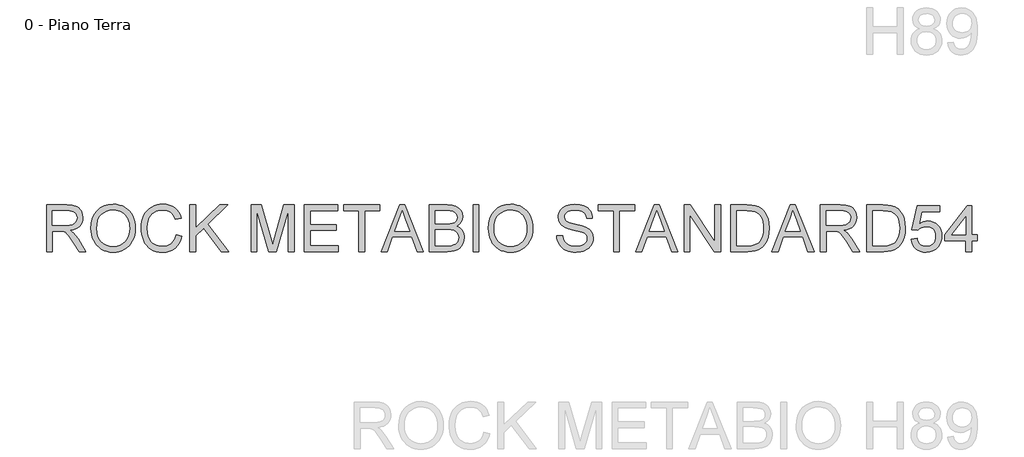
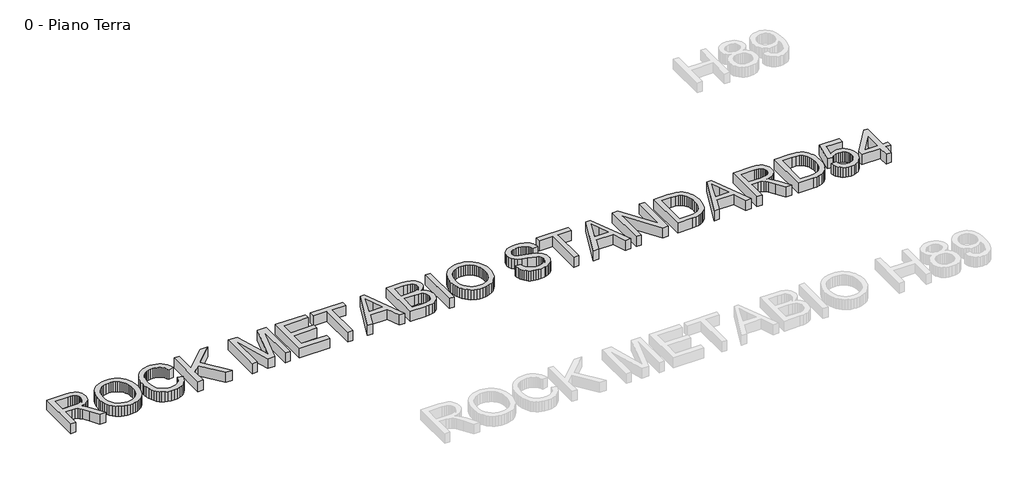
# One storey, part 13 of 17: 1 proxy.
"""IFC4 building model written with IfcOpenShell, lengths in millimetres."""

from ifc_helpers import new_model, si_unit, origin, origin_with_axes, place, context, project, spatial, polyline, outline, extrude, element, save

model = new_model("IFC4")

# Units and contexts
model_context = context("Model", 3, world=origin())
ifc_project = project(units=[si_unit("LENGTHUNIT", "METRE", prefix="MILLI")], contexts=[model_context])

# Site, building, storey
site = spatial("IfcSite", under=ifc_project)
building = spatial("IfcBuilding", under=site)
storey = spatial("IfcBuildingStorey", under=building, Name="0 - Piano Terra", Elevation=0.0)

# Proxy
placement = place(None, origin())
element("IfcBuildingElementProxy", 1, Name="Testo modello 1", ObjectType="Testo modello 1", at=placement, inside=storey, context=model_context, shape_type="SweptSolid", body=[
    extrude(outline(polyline([(-26198.167088, 3564.0517382), (-26198.167088, 4154.820969), (-25943.5997803, 4154.820969), (-25875.1803092, 4150.836594), (-25825.4026649, 4138.883469), (-25806.1929294, 4129.3822671), (-25789.0204534, 4116.8161613), (-25773.8852371, 4101.1851517), (-25760.7872803, 4082.4892382), (-25750.2178693, 4061.7335291), (-25742.6682899, 4039.9231325), (-25736.6286265, 3993.1382767), (-25739.1301289, 3962.7957286), (-25746.6346361, 3934.9411613), (-25759.1421481, 3909.5745748), (-25776.6526649, 3886.695969), (-25799.3915472, 3867.0355123), (-25827.5841553, 3851.3233729), (-25861.2304895, 3839.5595507), (-25900.3305496, 3831.7440459), (-25875.9916073, 3815.8426036), (-25858.3593957, 3800.1575075), (-25798.5036265, 3724.1478921), (-25699.9940111, 3564.0517382), (-25785.8113188, 3564.0517382), (-25862.6863188, 3686.5036613), (-25918.2151649, 3767.5613536), (-25938.8581938, 3791.1971709), (-25957.229588, 3805.8546229), (-25992.3497803, 3819.9171229), (-26035.1863188, 3822.5132767), (-26124.3209342, 3822.5132767), (-26124.3209342, 3564.0517382), (-26198.167088, 3564.0517382)]), holes=[polyline([(-26124.3209342, 3896.3594305), (-25959.0324726, 3896.3594305), (-25911.5625207, 3898.9736132), (-25874.729588, 3906.8161613), (-25847.0012226, 3920.4099113), (-25826.8449726, 3940.2776998), (-25814.5673284, 3964.3101517), (-25810.4747803, 3990.3978921), (-25812.4264029, 4009.2831084), (-25818.2812707, 4026.4195267), (-25828.0393837, 4041.8071469), (-25841.7007419, 4055.445969), (-25859.58085, 4066.6148392), (-25881.995213, 4074.5926036), (-25908.9438308, 4079.3792623), (-25940.4267034, 4080.9748152), (-26124.3209342, 4080.9748152), (-26124.3209342, 3896.3594305)])]), origin_with_axes(), (0.0, 0.0, 1.0), 150.0),
    extrude(outline(polyline([(-25635.0901649, 3851.6478921), (-25630.1682899, 3920.9417623), (-25615.4026649, 3982.2849113), (-25590.7932899, 4035.6773392), (-25556.3401649, 4081.1190459), (-25514.1075928, 4117.4020988), (-25466.1598765, 4143.3185652), (-25412.4970159, 4158.868445), (-25353.1190111, 4164.0517382), (-25313.3744198, 4161.617844), (-25275.6310303, 4154.3161613), (-25239.8888428, 4142.1466902), (-25206.1478573, 4125.1094305), (-25175.354588, 4103.7182046), (-25148.4555496, 4078.4868344), (-25125.4507419, 4049.41532), (-25106.3401649, 4016.5036613), (-25091.3221361, 3980.5000555), (-25080.5949726, 3942.1526998), (-25074.1586746, 3901.461594), (-25072.0132419, 3858.4267382), (-25074.2713548, 3814.8239738), (-25081.0456938, 3773.5829882), (-25092.3362587, 3734.7037815), (-25108.1430496, 3698.1863536), (-25128.0919678, 3664.9952479), (-25151.8089149, 3636.0950075), (-25179.2938909, 3611.4856325), (-25210.5468957, 3591.1671229), (-25244.3374606, 3575.2656805), (-25279.4351169, 3563.9075075), (-25315.8398645, 3557.0926036), (-25353.5517034, 3554.820969), (-25393.9904053, 3557.3314858), (-25432.229588, 3564.8630363), (-25468.2692515, 3577.4156204), (-25502.1093957, 3594.9892382), (-25532.8666073, 3616.9033007), (-25559.6574726, 3642.477219), (-25582.4819919, 3671.710993), (-25601.3401649, 3704.6046229), (-25616.1057899, 3739.8374954), (-25626.6526649, 3776.0889979), (-25632.9807899, 3813.3591301), (-25635.0901649, 3851.6478921)]), holes=[polyline([(-25561.2440111, 3850.9267382), (-25557.5526048, 3801.9694065), (-25546.4783861, 3758.5108729), (-25528.0213548, 3720.5511373), (-25502.1815111, 3688.0901998), (-25470.7707539, 3662.0926036), (-25435.6009823, 3643.5228921), (-25396.6721962, 3632.3810652), (-25353.9843957, 3628.6671229), (-25310.566427, 3632.4171229), (-25271.1779053, 3643.6671229), (-25235.8188308, 3662.4171229), (-25204.4892034, 3688.6671229), (-25178.8386625, 3721.8131565), (-25160.5168476, 3761.2512575), (-25149.5237587, 3806.9814257), (-25145.8593957, 3859.0036613), (-25147.4279053, 3892.7987334), (-25152.1334342, 3924.3762575), (-25159.9759823, 3953.7362334), (-25170.9555496, 3980.8786613), (-25184.9504414, 4005.4474714), (-25201.838963, 4027.086594), (-25221.6211145, 4045.7960291), (-25244.2968957, 4061.5757767), (-25269.1631818, 4074.1013176), (-25295.5168476, 4083.0481325), (-25323.3578933, 4088.4162214), (-25352.6863188, 4090.2055844), (-25393.8912467, 4086.7575676), (-25432.1214149, 4076.4135171), (-25467.3768236, 4059.1734329), (-25499.6574726, 4035.0373152), (-25526.6015832, 4002.8423031), (-25545.8473765, 3961.4255363), (-25557.3948524, 3910.7870147), (-25561.2440111, 3850.9267382)])]), origin_with_axes(), (0.0, 0.0, 1.0), 150.0),
    extrude(outline(polyline([(-24555.0901649, 3774.0517382), (-24481.2440111, 3755.0132767), (-24495.8563909, 3709.0892983), (-24515.3185303, 3668.961594), (-24539.6304294, 3634.6301637), (-24568.792088, 3606.0950075), (-24602.1454534, 3583.6626156), (-24639.0324726, 3567.6394786), (-24679.4531457, 3558.0255964), (-24723.4074726, 3554.820969), (-24768.4390231, 3557.2458488), (-24809.0625207, 3564.5204882), (-24845.2779654, 3576.6448873), (-24877.0853573, 3593.6190459), (-24904.9218957, 3615.1905604), (-24929.2247803, 3641.1070267), (-24949.9940111, 3671.368445), (-24967.229588, 3705.9748152), (-24980.7647443, 3743.429743), (-24990.432713, 3782.2368344), (-24996.2334943, 3822.3960892), (-24998.167088, 3863.9075075), (-24995.9810904, 3908.4477719), (-24989.4230976, 3950.0493344), (-24978.4931097, 3988.712195), (-24963.1911265, 4024.4363536), (-24943.8596962, 4056.6313656), (-24920.8413669, 4084.7067863), (-24894.1361385, 4108.6626156), (-24863.7440111, 4128.4988536), (-24830.6971361, 4144.0532406), (-24796.0276649, 4155.1635171), (-24759.7355976, 4161.8296829), (-24721.8209342, 4164.0517382), (-24679.5838548, 4161.1761373), (-24640.8533861, 4152.5493344), (-24605.6295279, 4138.1713296), (-24573.9122803, 4118.0421229), (-24546.2244798, 4092.6935652), (-24523.088963, 4062.6575075), (-24504.5057298, 4027.9339498), (-24490.4747803, 3988.5228921), (-24564.3209342, 3970.9267382), (-24575.9495399, 3999.9667022), (-24589.9218957, 4024.7789017), (-24606.2380015, 4045.3633368), (-24624.8978573, 4061.7200075), (-24646.0096361, 4074.1824474), (-24669.6815111, 4083.0841902), (-24695.9134823, 4088.4252358), (-24724.7055496, 4090.2055844), (-24757.8335544, 4088.2314257), (-24788.1310303, 4082.3089498), (-24815.5979774, 4072.4381565), (-24840.2343957, 4058.6190459), (-24861.7292875, 4041.4736132), (-24879.7716553, 4021.6238536), (-24894.3614991, 3999.0697671), (-24905.4988188, 3973.8113536), (-24919.6154053, 3919.7608729), (-24924.3209342, 3864.0517382), (-24918.7500207, 3795.8305844), (-24911.7863789, 3765.1815459), (-24902.0372803, 3736.8401998), (-24889.3449726, 3711.3699474), (-24873.5517034, 3689.3341902), (-24854.6574726, 3670.7329281), (-24832.6622803, 3655.5661613), (-24808.6343356, 3643.797832), (-24783.6418476, 3635.3918825), (-24757.6848164, 3630.3483128), (-24730.7632419, 3628.6671229), (-24698.6583741, 3630.9567863), (-24669.1226169, 3637.8257767), (-24642.1559702, 3649.274094), (-24617.7584342, 3665.3017382), (-24596.5069318, 3685.836594), (-24578.9783861, 3710.8065459), (-24565.1727972, 3740.211594), (-24555.0901649, 3774.0517382)])), origin_with_axes(), (0.0, 0.0, 1.0), 150.0),
    extrude(outline(polyline([(-24379.7055496, 3564.0517382), (-24379.7055496, 4154.820969), (-24305.8593957, 4154.820969), (-24305.8593957, 3865.6382767), (-24002.9747803, 4154.820969), (-23899.7055496, 4154.820969), (-24153.9843957, 3911.9363536), (-23890.4747803, 3564.0517382), (-23980.7632419, 3564.0517382), (-24206.3401649, 3862.0325075), (-24305.8593957, 3767.1286613), (-24305.8593957, 3564.0517382), (-24379.7055496, 3564.0517382)])), origin_with_axes(), (0.0, 0.0, 1.0), 150.0),
    extrude(outline(polyline([(-23604.3209342, 3564.0517382), (-23604.3209342, 4154.820969), (-23477.2536265, 4154.820969), (-23356.3882419, 3738.4267382), (-23332.0132419, 3651.4555844), (-23305.6190111, 3745.6382767), (-23186.7728573, 4154.820969), (-23059.7055496, 4154.820969), (-23059.7055496, 3564.0517382), (-23133.5517034, 3564.0517382), (-23133.5517034, 4080.9748152), (-23281.9651649, 3564.0517382), (-23382.0613188, 3564.0517382), (-23530.4747803, 4080.9748152), (-23530.4747803, 3564.0517382), (-23604.3209342, 3564.0517382)])), origin_with_axes(), (0.0, 0.0, 1.0), 150.0),
    extrude(outline(polyline([(-22930.4747803, 3564.0517382), (-22930.4747803, 4154.820969), (-22505.8593957, 4154.820969), (-22505.8593957, 4080.9748152), (-22856.6286265, 4080.9748152), (-22856.6286265, 3905.5901998), (-22524.3209342, 3905.5901998), (-22524.3209342, 3831.7440459), (-22856.6286265, 3831.7440459), (-22856.6286265, 3637.8978921), (-22496.6286265, 3637.8978921), (-22496.6286265, 3564.0517382), (-22930.4747803, 3564.0517382)])), origin_with_axes(), (0.0, 0.0, 1.0), 150.0),
    extrude(outline(polyline([(-22238.167088, 3564.0517382), (-22238.167088, 4080.9748152), (-22432.0132419, 4080.9748152), (-22432.0132419, 4154.820969), (-21970.4747803, 4154.820969), (-21970.4747803, 4080.9748152), (-22164.3209342, 4080.9748152), (-22164.3209342, 3564.0517382), (-22238.167088, 3564.0517382)])), origin_with_axes(), (0.0, 0.0, 1.0), 150.0),
    extrude(outline(polyline([(-21956.1959342, 3564.0517382), (-21720.3786265, 4154.820969), (-21657.4940111, 4154.820969), (-21421.6767034, 3564.0517382), (-21499.7055496, 3564.0517382), (-21567.3497803, 3748.6671229), (-21810.667088, 3748.6671229), (-21878.167088, 3564.0517382), (-21956.1959342, 3564.0517382)]), holes=[polyline([(-21783.5517034, 3822.5132767), (-21594.3209342, 3822.5132767), (-21647.542088, 3967.7536613), (-21688.9363188, 4080.9748152), (-21725.7151649, 3980.445969), (-21783.5517034, 3822.5132767)])]), origin_with_axes(), (0.0, 0.0, 1.0), 150.0),
    extrude(outline(polyline([(-21342.7824726, 3564.0517382), (-21342.7824726, 4154.820969), (-21117.3497803, 4154.820969), (-21055.3485784, 4150.4760171), (-21006.9411265, 4137.4411613), (-20969.8377611, 4115.3918825), (-20954.6664871, 4100.8651397), (-20941.7488188, 4084.0036613), (-20924.0625207, 4047.0805844), (-20918.167088, 4008.4267382), (-20923.1250207, 3972.8558248), (-20937.9988188, 3939.4123152), (-20962.8966553, 3910.1514979), (-20997.9267034, 3887.1286613), (-20975.6385423, 3877.6274594), (-20956.0817515, 3865.2776998), (-20939.2563308, 3850.0793825), (-20925.1622803, 3832.0325075), (-20914.0249606, 3811.6869546), (-20906.0697323, 3789.5926036), (-20901.2965952, 3765.7494546), (-20899.7055496, 3740.1575075), (-20904.0505015, 3698.961594), (-20917.0853573, 3660.758469), (-20936.5384823, 3628.2704882), (-20960.1382419, 3604.2200075), (-20989.0384823, 3586.8041421), (-21024.3930496, 3574.2200075), (-21067.3557899, 3566.5938055), (-21119.0805496, 3564.0517382), (-21342.7824726, 3564.0517382)]), holes=[polyline([(-21268.9363188, 3637.8978921), (-21117.4940111, 3637.8978921), (-21062.6863188, 3640.7825075), (-21037.2476169, 3647.1827479), (-21016.3161265, 3656.8642382), (-20999.2968957, 3670.7284209), (-20985.5949726, 3689.6767382), (-20976.5625207, 3712.8618344), (-20973.5517034, 3739.4363536), (-20977.0853573, 3770.3017382), (-20987.6863188, 3796.8401998), (-21006.2019438, 3817.5914017), (-21033.479588, 3831.0950075), (-21072.1154053, 3838.5048632), (-21124.7055496, 3840.9748152), (-21268.9363188, 3840.9748152), (-21268.9363188, 3637.8978921)]), polyline([(-21268.9363188, 3914.820969), (-21134.0805496, 3914.820969), (-21086.917088, 3916.4075075), (-21055.3305496, 3921.1671229), (-21027.7644438, 3932.1106325), (-21007.9507419, 3948.4988536), (-20995.9976169, 3970.0793825), (-20992.0132419, 3996.5998152), (-20995.7271842, 4022.3450075), (-21006.8690111, 4044.7728921), (-21024.9339149, 4062.2789017), (-21049.417088, 4073.258469), (-21086.9892034, 4079.0457286), (-21144.3209342, 4080.9748152), (-21268.9363188, 4080.9748152), (-21268.9363188, 3914.820969)])]), origin_with_axes(), (0.0, 0.0, 1.0), 150.0),
    extrude(outline(polyline([(-20788.9363188, 3564.0517382), (-20788.9363188, 4154.820969), (-20715.0901649, 4154.820969), (-20715.0901649, 3564.0517382), (-20788.9363188, 3564.0517382)])), origin_with_axes(), (0.0, 0.0, 1.0), 150.0),
    extrude(outline(polyline([(-20595.0901649, 3851.6478921), (-20590.1682899, 3920.9417623), (-20575.4026649, 3982.2849113), (-20550.7932899, 4035.6773392), (-20516.3401649, 4081.1190459), (-20474.1075928, 4117.4020988), (-20426.1598765, 4143.3185652), (-20372.4970159, 4158.868445), (-20313.1190111, 4164.0517382), (-20273.3744198, 4161.617844), (-20235.6310303, 4154.3161613), (-20199.8888428, 4142.1466902), (-20166.1478573, 4125.1094305), (-20135.354588, 4103.7182046), (-20108.4555496, 4078.4868344), (-20085.4507419, 4049.41532), (-20066.3401649, 4016.5036613), (-20051.3221361, 3980.5000555), (-20040.5949726, 3942.1526998), (-20034.1586746, 3901.461594), (-20032.0132419, 3858.4267382), (-20034.2713548, 3814.8239738), (-20041.0456938, 3773.5829882), (-20052.3362587, 3734.7037815), (-20068.1430496, 3698.1863536), (-20088.0919678, 3664.9952479), (-20111.8089149, 3636.0950075), (-20139.2938909, 3611.4856325), (-20170.5468957, 3591.1671229), (-20204.3374606, 3575.2656805), (-20239.4351169, 3563.9075075), (-20275.8398645, 3557.0926036), (-20313.5517034, 3554.820969), (-20353.9904053, 3557.3314858), (-20392.229588, 3564.8630363), (-20428.2692515, 3577.4156204), (-20462.1093957, 3594.9892382), (-20492.8666073, 3616.9033007), (-20519.6574726, 3642.477219), (-20542.4819919, 3671.710993), (-20561.3401649, 3704.6046229), (-20576.1057899, 3739.8374954), (-20586.6526649, 3776.0889979), (-20592.9807899, 3813.3591301), (-20595.0901649, 3851.6478921)]), holes=[polyline([(-20521.2440111, 3850.9267382), (-20517.5526048, 3801.9694065), (-20506.4783861, 3758.5108729), (-20488.0213548, 3720.5511373), (-20462.1815111, 3688.0901998), (-20430.7707539, 3662.0926036), (-20395.6009823, 3643.5228921), (-20356.6721962, 3632.3810652), (-20313.9843957, 3628.6671229), (-20270.566427, 3632.4171229), (-20231.1779053, 3643.6671229), (-20195.8188308, 3662.4171229), (-20164.4892034, 3688.6671229), (-20138.8386625, 3721.8131565), (-20120.5168476, 3761.2512575), (-20109.5237587, 3806.9814257), (-20105.8593957, 3859.0036613), (-20107.4279053, 3892.7987334), (-20112.1334342, 3924.3762575), (-20119.9759823, 3953.7362334), (-20130.9555496, 3980.8786613), (-20144.9504414, 4005.4474714), (-20161.838963, 4027.086594), (-20181.6211145, 4045.7960291), (-20204.2968957, 4061.5757767), (-20229.1631818, 4074.1013176), (-20255.5168476, 4083.0481325), (-20283.3578933, 4088.4162214), (-20312.6863188, 4090.2055844), (-20353.8912467, 4086.7575676), (-20392.1214149, 4076.4135171), (-20427.3768236, 4059.1734329), (-20459.6574726, 4035.0373152), (-20486.6015832, 4002.8423031), (-20505.8473765, 3961.4255363), (-20517.3948524, 3910.7870147), (-20521.2440111, 3850.9267382)])]), origin_with_axes(), (0.0, 0.0, 1.0), 150.0),
    extrude(outline(polyline([(-19727.3978573, 3767.1286613), (-19653.5517034, 3767.1286613), (-19645.0781457, 3726.149094), (-19629.7536265, 3693.2103921), (-19605.8473765, 3667.0685652), (-19571.6286265, 3646.4796229), (-19529.8017034, 3633.1202479), (-19483.0709342, 3628.6671229), (-19441.9291073, 3632.0385171), (-19405.9074726, 3642.1526998), (-19376.7187707, 3658.1623152), (-19356.0757419, 3679.2200075), (-19343.7980976, 3703.3966902), (-19339.7055496, 3728.7632767), (-19342.7704534, 3753.4808248), (-19351.9651649, 3774.8450075), (-19370.6430496, 3793.0721709), (-19402.1574726, 3808.3786613), (-19509.6815111, 3836.5757767), (-19580.2644438, 3855.2356325), (-19625.4267034, 3872.9940459), (-19662.1875207, 3897.8377959), (-19688.2392034, 3927.945969), (-19703.7620399, 3962.6695267), (-19708.9363188, 4001.3594305), (-19707.3362587, 4023.3501156), (-19702.5360784, 4044.6106325), (-19694.5357779, 4065.140981), (-19683.3353573, 4084.9411613), (-19669.0610183, 4103.2043825), (-19651.838963, 4119.1238536), (-19631.6691914, 4132.6995748), (-19608.5517034, 4143.9315459), (-19556.5925688, 4159.0216902), (-19499.0805496, 4164.0517382), (-19436.7728573, 4158.7873152), (-19382.2536265, 4142.9940459), (-19358.401463, 4131.2302238), (-19337.4699726, 4116.9964498), (-19319.4591553, 4100.2927238), (-19304.3690111, 4081.1190459), (-19292.3167274, 4060.0343104), (-19283.4194919, 4037.5974113), (-19277.6773044, 4013.8083488), (-19275.0901649, 3988.6671229), (-19348.9363188, 3988.6671229), (-19353.8762226, 4012.2308248), (-19362.4940111, 4032.7296229), (-19374.7896842, 4050.1635171), (-19390.7632419, 4064.5325075), (-19410.7121601, 4075.7644786), (-19434.9339149, 4083.7873152), (-19463.4285063, 4088.6010171), (-19496.1959342, 4090.2055844), (-19530.0090351, 4088.6190459), (-19558.9002611, 4083.8594305), (-19582.8696121, 4075.9267382), (-19601.917088, 4064.820969), (-19616.4303092, 4051.4706084), (-19626.7968957, 4036.8041421), (-19633.0168476, 4020.82157), (-19635.0901649, 4003.5228921), (-19629.2127611, 3975.1454882), (-19611.5805496, 3952.320969), (-19595.3906457, 3942.1707286), (-19569.8978573, 3931.9123152), (-19491.0036265, 3911.070969), (-19409.5853573, 3891.2752959), (-19360.3305496, 3874.0036613), (-19318.2331938, 3847.2127959), (-19301.9576529, 3831.4645988), (-19288.8642034, 3814.1478921), (-19278.7996, 3795.35282), (-19271.6105976, 3775.1695267), (-19265.8593957, 3730.6382767), (-19267.5135423, 3707.5388176), (-19272.4759823, 3685.1154402), (-19280.7467154, 3663.3681445), (-19292.3257419, 3642.2969305), (-19307.0102371, 3622.7176036), (-19324.5973765, 3605.445969), (-19345.0871601, 3590.4820267), (-19368.479588, 3577.8257767), (-19394.0940712, 3567.7611733), (-19421.2500207, 3560.5721709), (-19480.1863188, 3554.820969), (-19517.9612587, 3556.3714498), (-19552.5360784, 3561.0228921), (-19583.9107779, 3568.7752959), (-19612.0853573, 3579.6286613), (-19637.2310904, 3593.6010171), (-19659.5192515, 3610.7103921), (-19678.9498404, 3630.9567863), (-19695.5228573, 3654.3401998), (-19708.8732178, 3680.1034209), (-19718.635838, 3707.4892382), (-19724.8107178, 3736.4976517), (-19727.3978573, 3767.1286613)])), origin_with_axes(), (0.0, 0.0, 1.0), 150.0),
    extrude(outline(polyline([(-19007.3978573, 3564.0517382), (-19007.3978573, 4080.9748152), (-19201.2440111, 4080.9748152), (-19201.2440111, 4154.820969), (-18739.7055496, 4154.820969), (-18739.7055496, 4080.9748152), (-18933.5517034, 4080.9748152), (-18933.5517034, 3564.0517382), (-19007.3978573, 3564.0517382)])), origin_with_axes(), (0.0, 0.0, 1.0), 150.0),
    extrude(outline(polyline([(-18725.4267034, 3564.0517382), (-18489.6093957, 4154.820969), (-18426.7247803, 4154.820969), (-18190.9074726, 3564.0517382), (-18268.9363188, 3564.0517382), (-18336.5805496, 3748.6671229), (-18579.8978573, 3748.6671229), (-18647.3978573, 3564.0517382), (-18725.4267034, 3564.0517382)]), holes=[polyline([(-18552.7824726, 3822.5132767), (-18363.5517034, 3822.5132767), (-18416.7728573, 3967.7536613), (-18458.167088, 4080.9748152), (-18494.9459342, 3980.445969), (-18552.7824726, 3822.5132767)])]), origin_with_axes(), (0.0, 0.0, 1.0), 150.0),
    extrude(outline(polyline([(-18112.0132419, 3564.0517382), (-18112.0132419, 4154.820969), (-18032.9747803, 4154.820969), (-17724.3209342, 3686.7921229), (-17724.3209342, 4154.820969), (-17650.4747803, 4154.820969), (-17650.4747803, 3564.0517382), (-17729.5132419, 3564.0517382), (-18038.167088, 4032.2248152), (-18038.167088, 3564.0517382), (-18112.0132419, 3564.0517382)])), origin_with_axes(), (0.0, 0.0, 1.0), 150.0),
    extrude(outline(polyline([(-17521.2440111, 3564.0517382), (-17521.2440111, 4154.820969), (-17317.4459342, 4154.820969), (-17256.5444919, 4152.6935652), (-17212.0132419, 4146.3113536), (-17164.9218957, 4129.9051036), (-17125.1863188, 4104.0517382), (-17103.2902851, 4082.9219305), (-17084.3329534, 4059.0517382), (-17068.3143236, 4032.4411613), (-17055.2343957, 4003.0901998), (-17045.0751409, 3971.2692863), (-17037.8185303, 3937.2488536), (-17032.0132419, 3862.6094305), (-17035.9435303, 3799.2019786), (-17047.7343957, 3743.4026998), (-17065.6911265, 3695.8966902), (-17088.1190111, 3657.3690459), (-17113.9363188, 3626.9543825), (-17142.0613188, 3603.7873152), (-17174.3509823, 3586.6058248), (-17212.6622803, 3574.1478921), (-17257.0673284, 3566.5757767), (-17307.6382419, 3564.0517382), (-17521.2440111, 3564.0517382)]), holes=[polyline([(-17447.3978573, 3637.8978921), (-17316.7247803, 3637.8978921), (-17262.6742996, 3640.5661613), (-17221.6767034, 3648.570969), (-17190.7392034, 3661.4435652), (-17166.8690111, 3678.7151998), (-17141.213963, 3710.680344), (-17121.9411265, 3752.0565459), (-17109.8798284, 3803.024094), (-17105.8593957, 3863.7632767), (-17107.8290472, 3906.6358729), (-17113.7380015, 3944.2440459), (-17123.5862587, 3976.5877959), (-17137.3738188, 4003.6671229), (-17153.9828933, 4026.0950075), (-17172.2956938, 4044.4844305), (-17192.3122202, 4058.8353921), (-17214.0324726, 4069.1478921), (-17256.5084342, 4078.0180844), (-17318.7440111, 4080.9748152), (-17447.3978573, 4080.9748152), (-17447.3978573, 3637.8978921)])]), origin_with_axes(), (0.0, 0.0, 1.0), 150.0),
    extrude(outline(polyline([(-16999.2728573, 3564.0517382), (-16763.4555496, 4154.820969), (-16700.5709342, 4154.820969), (-16464.7536265, 3564.0517382), (-16542.7824726, 3564.0517382), (-16610.4267034, 3748.6671229), (-16853.7440111, 3748.6671229), (-16921.2440111, 3564.0517382), (-16999.2728573, 3564.0517382)]), holes=[polyline([(-16826.6286265, 3822.5132767), (-16637.3978573, 3822.5132767), (-16690.6190111, 3967.7536613), (-16732.0132419, 4080.9748152), (-16768.792088, 3980.445969), (-16826.6286265, 3822.5132767)])]), origin_with_axes(), (0.0, 0.0, 1.0), 150.0),
    extrude(outline(polyline([(-16385.8593957, 3564.0517382), (-16385.8593957, 4154.820969), (-16131.292088, 4154.820969), (-16062.8726169, 4150.836594), (-16013.0949726, 4138.883469), (-15993.8852371, 4129.3822671), (-15976.7127611, 4116.8161613), (-15961.5775448, 4101.1851517), (-15948.479588, 4082.4892382), (-15937.910177, 4061.7335291), (-15930.3605976, 4039.9231325), (-15924.3209342, 3993.1382767), (-15926.8224366, 3962.7957286), (-15934.3269438, 3934.9411613), (-15946.8344558, 3909.5745748), (-15964.3449726, 3886.695969), (-15987.0838548, 3867.0355123), (-16015.276463, 3851.3233729), (-16048.9227972, 3839.5595507), (-16088.0228573, 3831.7440459), (-16063.6839149, 3815.8426036), (-16046.0517034, 3800.1575075), (-15986.1959342, 3724.1478921), (-15887.6863188, 3564.0517382), (-15973.5036265, 3564.0517382), (-16050.3786265, 3686.5036613), (-16105.9074726, 3767.5613536), (-16126.5505015, 3791.1971709), (-16144.9218957, 3805.8546229), (-16180.042088, 3819.9171229), (-16222.8786265, 3822.5132767), (-16312.0132419, 3822.5132767), (-16312.0132419, 3564.0517382), (-16385.8593957, 3564.0517382)]), holes=[polyline([(-16312.0132419, 3896.3594305), (-16146.7247803, 3896.3594305), (-16099.2548284, 3898.9736132), (-16062.4218957, 3906.8161613), (-16034.6935303, 3920.4099113), (-16014.5372803, 3940.2776998), (-16002.2596361, 3964.3101517), (-15998.167088, 3990.3978921), (-16000.1187106, 4009.2831084), (-16005.9735784, 4026.4195267), (-16015.7316914, 4041.8071469), (-16029.3930496, 4055.445969), (-16047.2731577, 4066.6148392), (-16069.6875207, 4074.5926036), (-16096.6361385, 4079.3792623), (-16128.1190111, 4080.9748152), (-16312.0132419, 4080.9748152), (-16312.0132419, 3896.3594305)])]), origin_with_axes(), (0.0, 0.0, 1.0), 150.0),
    extrude(outline(polyline([(-15795.0901649, 3564.0517382), (-15795.0901649, 4154.820969), (-15591.292088, 4154.820969), (-15530.3906457, 4152.6935652), (-15485.8593957, 4146.3113536), (-15438.7680496, 4129.9051036), (-15399.0324726, 4104.0517382), (-15377.136439, 4082.9219305), (-15358.1791073, 4059.0517382), (-15342.1604774, 4032.4411613), (-15329.0805496, 4003.0901998), (-15318.9212948, 3971.2692863), (-15311.6646842, 3937.2488536), (-15305.8593957, 3862.6094305), (-15309.7896842, 3799.2019786), (-15321.5805496, 3743.4026998), (-15339.5372803, 3695.8966902), (-15361.9651649, 3657.3690459), (-15387.7824726, 3626.9543825), (-15415.9074726, 3603.7873152), (-15448.1971361, 3586.6058248), (-15486.5084342, 3574.1478921), (-15530.9134823, 3566.5757767), (-15581.4843957, 3564.0517382), (-15795.0901649, 3564.0517382)]), holes=[polyline([(-15721.2440111, 3637.8978921), (-15590.5709342, 3637.8978921), (-15536.5204534, 3640.5661613), (-15495.5228573, 3648.570969), (-15464.5853573, 3661.4435652), (-15440.7151649, 3678.7151998), (-15415.0601169, 3710.680344), (-15395.7872803, 3752.0565459), (-15383.7259823, 3803.024094), (-15379.7055496, 3863.7632767), (-15381.675201, 3906.6358729), (-15387.5841553, 3944.2440459), (-15397.4324125, 3976.5877959), (-15411.2199726, 4003.6671229), (-15427.8290472, 4026.0950075), (-15446.1418476, 4044.4844305), (-15466.1583741, 4058.8353921), (-15487.8786265, 4069.1478921), (-15530.354588, 4078.0180844), (-15592.5901649, 4080.9748152), (-15721.2440111, 4080.9748152), (-15721.2440111, 3637.8978921)])]), origin_with_axes(), (0.0, 0.0, 1.0), 150.0),
    extrude(outline(polyline([(-15232.0132419, 3720.9748152), (-15158.167088, 3730.2055844), (-15152.6502611, 3706.4661012), (-15144.6093957, 3685.8726517), (-15134.0444919, 3668.4252358), (-15120.9555496, 3654.1238536), (-15105.3696121, 3642.9865339), (-15087.3137226, 3635.0313055), (-15066.7878813, 3630.2581685), (-15043.792088, 3628.6671229), (-15015.667088, 3630.8801637), (-14990.8593957, 3637.5192863), (-14969.3690111, 3648.5844906), (-14951.1959342, 3664.0757767), (-14936.745814, 3683.2269185), (-14926.4242996, 3705.2716902), (-14920.2313909, 3730.2100916), (-14918.167088, 3758.0421229), (-14920.1006818, 3784.3462094), (-14925.901463, 3807.7296229), (-14935.5694318, 3828.1923632), (-14949.104588, 3845.7344305), (-14966.5520039, 3859.805945), (-14987.9567515, 3869.8570267), (-15013.3188308, 3875.8876757), (-15042.6382419, 3877.8978921), (-15078.4615592, 3874.6887575), (-15107.4699726, 3865.0613536), (-15130.6370399, 3850.3137575), (-15148.9363188, 3831.7440459), (-15222.7824726, 3840.9748152), (-15158.167088, 4145.5901998), (-14872.0132419, 4145.5901998), (-14872.0132419, 4071.7440459), (-15098.4555496, 4071.7440459), (-15130.042088, 3909.0517382), (-15103.9813909, 3927.7296229), (-15077.2896842, 3941.070969), (-15049.9669678, 3949.0757767), (-15022.0132419, 3951.7440459), (-14986.050201, 3948.4357527), (-14953.0168476, 3938.5108729), (-14922.9131818, 3921.9694065), (-14895.7392034, 3898.8113536), (-14873.2437106, 3870.4519786), (-14857.1755015, 3838.3065459), (-14847.534576, 3802.3750555), (-14844.3209342, 3762.6575075), (-14847.214564, 3724.4002959), (-14855.8954534, 3688.8113536), (-14870.3636024, 3655.8906805), (-14890.6190111, 3625.6382767), (-14921.3041073, 3594.6557046), (-14957.1093957, 3572.5252959), (-14998.0348765, 3559.2470507), (-15044.0805496, 3554.820969), (-15082.1890231, 3557.6650195), (-15116.6105976, 3566.1971709), (-15147.3452731, 3580.4174233), (-15174.3930496, 3600.3257767), (-15196.8975568, 3624.9306445), (-15214.0024246, 3653.2404402), (-15225.7076529, 3685.2551637), (-15232.0132419, 3720.9748152)])), origin_with_axes(), (0.0, 0.0, 1.0), 150.0),
    extrude(outline(polyline([(-14539.7055496, 3564.0517382), (-14539.7055496, 3702.5132767), (-14807.3978573, 3702.5132767), (-14807.3978573, 3776.3594305), (-14521.2440111, 4145.5901998), (-14465.8593957, 4145.5901998), (-14465.8593957, 3776.3594305), (-14392.0132419, 3776.3594305), (-14392.0132419, 3702.5132767), (-14465.8593957, 3702.5132767), (-14465.8593957, 3564.0517382), (-14539.7055496, 3564.0517382)]), holes=[polyline([(-14539.7055496, 3776.3594305), (-14539.7055496, 4004.5325075), (-14716.5324726, 3776.3594305), (-14539.7055496, 3776.3594305)])]), origin_with_axes(), (0.0, 0.0, 1.0), 150.0),
])

save(model, "model.ifc")
